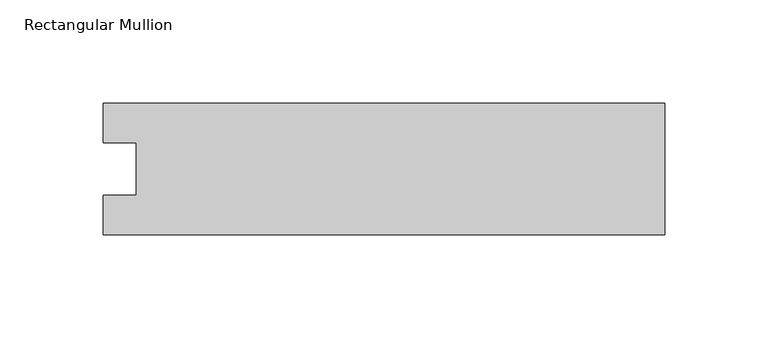
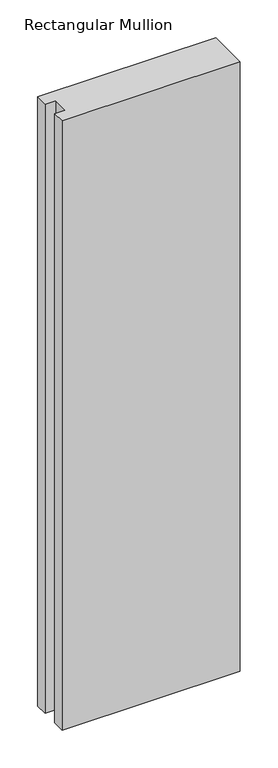
"""IFC4 building model written with IfcOpenShell, lengths in millimetres: member geometry, Rectangular Mullion."""

from ifc_helpers import new_model, si_unit, frame, origin, place, context, project, spatial, polyline, outline, extrude, source, transform, mapped, element, save


def rectangular_mullion_371a3ae9(model_context):
    return source(origin(), model_context, "Body", "SweptSolid", [
        extrude(outline(polyline([(-271.2568015, 31.7489583), (0.0, 31.7489583), (0.0, -31.7489583), (-271.2568015, -31.7489583), (-271.2568015, -12.7), (-255.3707024, -12.7), (-255.3707024, 12.7), (-271.2568015, 12.7), (-271.2568015, 31.7489583)])), frame((0.0, 0.0, -979.6447597), z_axis=(0.0, 0.0, 1.0), x_axis=(1.0, 0.0, 0.0)), (0.0, 0.0, 1.0), 979.6447597),
    ])


if __name__ == "__main__":
    model = new_model("IFC4")
    model_context = context("Model", 3, world=origin())
    ifc_project = project(units=[si_unit("LENGTHUNIT", "METRE", prefix="MILLI")], contexts=[model_context])
    site = spatial("IfcSite", under=ifc_project)
    building = spatial("IfcBuilding", under=site)
    placement = place(None, origin())
    rectangular_mullion_shape = rectangular_mullion_371a3ae9(model_context)
    element("IfcMember", 1, ObjectType="Rectangular Mullion", at=placement, inside=building, context=model_context, shape_type="MappedRepresentation", body=[
        mapped(rectangular_mullion_shape, transform((0.0, 0.0, 0.0), x_axis=(1.0, 0.0, 0.0), y_axis=(0.0, 1.0, 0.0), z_axis=(0.0, 0.0, 1.0))),
    ])
    save(model, "model.ifc")
